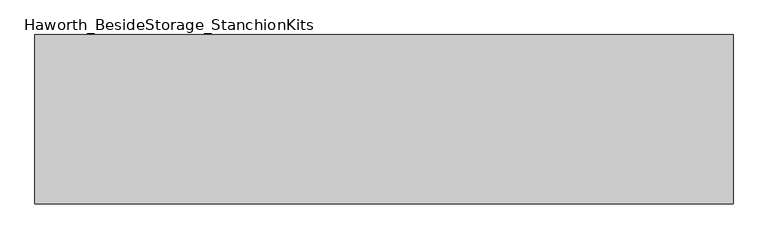
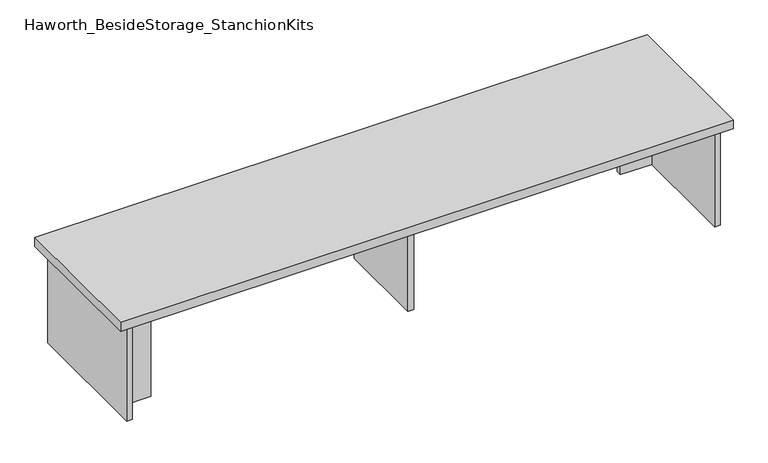
"""IFC4 building model written with IfcOpenShell, lengths in millimetres: furniture geometry, Haworth_BesideStorage_StanchionKits."""

from ifc_helpers import new_model, si_unit, frame, origin, place, context, project, spatial, polyline, outline, extrude, source, transform, mapped, element, save


def haworth_besidestorage_stanchionkits_91c3f3ad(model_context):
    return source(origin(), model_context, "Body", "SweptSolid", [
        extrude(outline(polyline([(1000.125, 0.0), (1000.125, -406.4), (-676.275, -406.4), (-676.275, 0.0), (1000.125, 0.0)])), frame((0.0, 0.0, 711.2), z_axis=(0.0, 0.0, 1.0), x_axis=(1.0, 0.0, 0.0)), (0.0, 0.0, 1.0), 25.4),
        extrude(outline(polyline([(873.125, -76.2), (958.85, -76.2), (958.85, -92.075), (873.125, -92.075), (873.125, -76.2)])), frame((0.0, 0.0, 431.8), z_axis=(0.0, 0.0, 1.0), x_axis=(1.0, 0.0, 0.0)), (0.0, 0.0, 1.0), 279.4),
        extrude(outline(polyline([(-549.275, -314.325), (-549.275, -330.2), (-635.0, -330.2), (-635.0, -314.325), (-549.275, -314.325)])), frame((0.0, 0.0, 431.8), z_axis=(0.0, 0.0, 1.0), x_axis=(1.0, 0.0, 0.0)), (0.0, 0.0, 1.0), 279.4),
        extrude(outline(polyline([(169.8625, -330.2), (153.9875, -330.2), (153.9875, -76.2), (169.8625, -76.2), (169.8625, -330.2)])), frame((0.0, 0.0, 431.8), z_axis=(0.0, 0.0, 1.0), x_axis=(1.0, 0.0, 0.0)), (0.0, 0.0, 1.0), 279.4),
        extrude(outline(polyline([(974.725, -390.525), (958.85, -390.525), (958.85, -15.875), (974.725, -15.875), (974.725, -390.525)])), frame((0.0, 0.0, 431.8), z_axis=(0.0, 0.0, 1.0), x_axis=(1.0, 0.0, 0.0)), (0.0, 0.0, 1.0), 279.4),
        extrude(outline(polyline([(-635.0, -390.525), (-650.875, -390.525), (-650.875, -15.875), (-635.0, -15.875), (-635.0, -390.525)])), frame((0.0, 0.0, 431.8), z_axis=(0.0, 0.0, 1.0), x_axis=(1.0, 0.0, 0.0)), (0.0, 0.0, 1.0), 279.4),
    ])


if __name__ == "__main__":
    model = new_model("IFC4")
    model_context = context("Model", 3, world=origin())
    ifc_project = project(units=[si_unit("LENGTHUNIT", "METRE", prefix="MILLI")], contexts=[model_context])
    site = spatial("IfcSite", under=ifc_project)
    building = spatial("IfcBuilding", under=site)
    placement = place(None, origin())
    haworth_besidestorage_stanchionkits_shape = haworth_besidestorage_stanchionkits_91c3f3ad(model_context)
    element("IfcFurniture", 1, ObjectType="Haworth_BesideStorage_StanchionKits", at=placement, inside=building, context=model_context, shape_type="MappedRepresentation", body=[
        mapped(haworth_besidestorage_stanchionkits_shape, transform((0.0, 0.0, 0.0), x_axis=(1.0, 0.0, 0.0), y_axis=(0.0, 1.0, 0.0), z_axis=(0.0, 0.0, 1.0))),
    ])
    save(model, "model.ifc")
